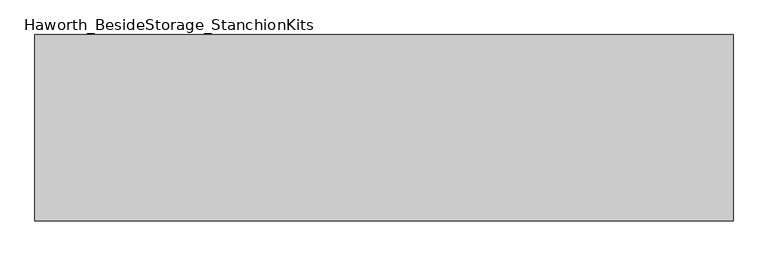
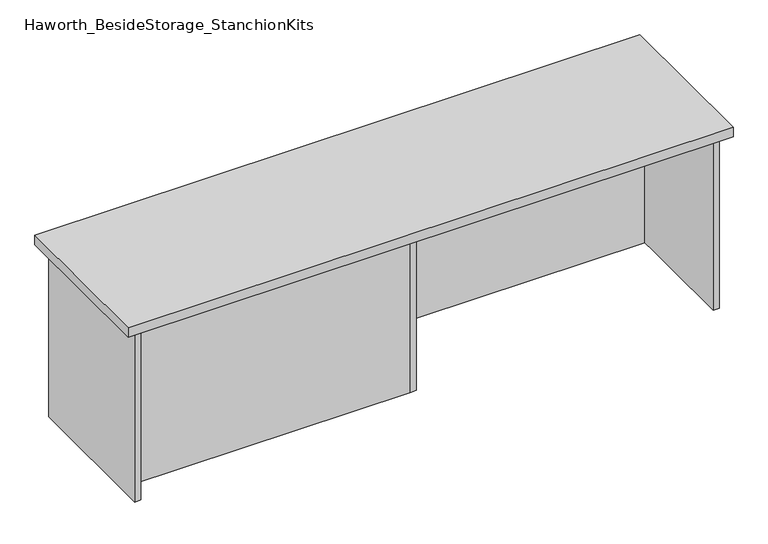
"""IFC4 building model written with IfcOpenShell, lengths in millimetres: furniture geometry, Haworth_BesideStorage_StanchionKits."""

from ifc_helpers import new_model, si_unit, frame, origin, place, context, project, spatial, polyline, outline, extrude, source, transform, mapped, element, save


def haworth_besidestorage_stanchionkits_251a003f(model_context):
    return source(origin(), model_context, "Body", "SweptSolid", [
        extrude(outline(polyline([(923.925, 0.0), (923.925, -406.4), (-600.075, -406.4), (-600.075, 0.0), (923.925, 0.0)])), frame((0.0, 0.0, 889.0), z_axis=(0.0, 0.0, 1.0), x_axis=(1.0, 0.0, 0.0)), (0.0, 0.0, 1.0), 25.4),
        extrude(outline(polyline([(169.8625, -76.2), (882.65, -76.2), (882.65, -92.075), (169.8625, -92.075), (169.8625, -76.2)])), frame((0.0, 0.0, 431.8), z_axis=(0.0, 0.0, 1.0), x_axis=(1.0, 0.0, 0.0)), (0.0, 0.0, 1.0), 457.2),
        extrude(outline(polyline([(153.9875, -314.325), (153.9875, -330.2), (-558.8, -330.2), (-558.8, -314.325), (153.9875, -314.325)])), frame((0.0, 0.0, 431.8), z_axis=(0.0, 0.0, 1.0), x_axis=(1.0, 0.0, 0.0)), (0.0, 0.0, 1.0), 457.2),
        extrude(outline(polyline([(169.8625, -330.2), (153.9875, -330.2), (153.9875, -76.2), (169.8625, -76.2), (169.8625, -330.2)])), frame((0.0, 0.0, 431.8), z_axis=(0.0, 0.0, 1.0), x_axis=(1.0, 0.0, 0.0)), (0.0, 0.0, 1.0), 457.2),
        extrude(outline(polyline([(898.525, -390.525), (882.65, -390.525), (882.65, -15.875), (898.525, -15.875), (898.525, -390.525)])), frame((0.0, 0.0, 431.8), z_axis=(0.0, 0.0, 1.0), x_axis=(1.0, 0.0, 0.0)), (0.0, 0.0, 1.0), 457.2),
        extrude(outline(polyline([(-558.8, -390.525), (-574.675, -390.525), (-574.675, -15.875), (-558.8, -15.875), (-558.8, -390.525)])), frame((0.0, 0.0, 431.8), z_axis=(0.0, 0.0, 1.0), x_axis=(1.0, 0.0, 0.0)), (0.0, 0.0, 1.0), 457.2),
    ])


if __name__ == "__main__":
    model = new_model("IFC4")
    model_context = context("Model", 3, world=origin())
    ifc_project = project(units=[si_unit("LENGTHUNIT", "METRE", prefix="MILLI")], contexts=[model_context])
    site = spatial("IfcSite", under=ifc_project)
    building = spatial("IfcBuilding", under=site)
    placement = place(None, origin())
    haworth_besidestorage_stanchionkits_shape = haworth_besidestorage_stanchionkits_251a003f(model_context)
    element("IfcFurniture", 1, ObjectType="Haworth_BesideStorage_StanchionKits", at=placement, inside=building, context=model_context, shape_type="MappedRepresentation", body=[
        mapped(haworth_besidestorage_stanchionkits_shape, transform((0.0, 0.0, 0.0), x_axis=(1.0, 0.0, 0.0), y_axis=(0.0, 1.0, 0.0), z_axis=(0.0, 0.0, 1.0))),
    ])
    save(model, "model.ifc")
